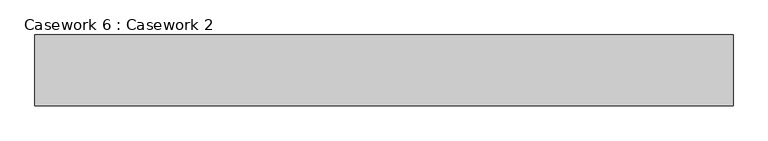
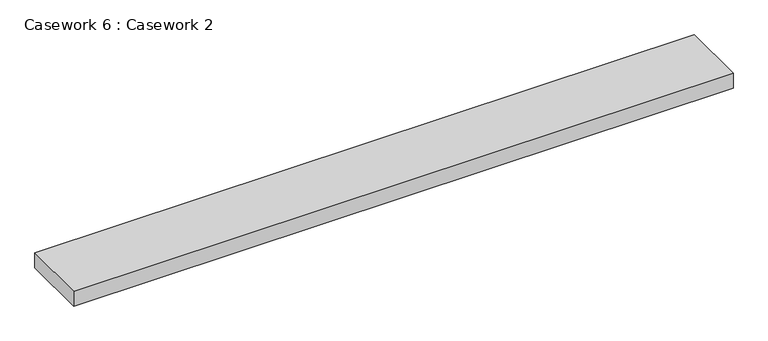
"""IFC4 building model written with IfcOpenShell, lengths in millimetres: furniture geometry, Casework 6 : Casework 2."""

from ifc_helpers import new_model, si_unit, frame, origin, place, context, project, spatial, polyline, outline, extrude, source, transform, mapped, element, save


def casework_6_casework_2_b5767fef(model_context):
    return source(origin(), model_context, "Body", "SweptSolid", [
        extrude(outline(polyline([(20729.5173459, -20299.1256681), (20729.5173459, -20517.0146228), (18581.286124, -20517.0146228), (18581.286124, -20299.1256681), (20729.5173459, -20299.1256681)])), frame((0.0, 0.0, 995.2155416), z_axis=(0.0, 0.0, 1.0), x_axis=(1.0, 0.0, 0.0)), (0.0, 0.0, 1.0), 51.1844584),
    ])


if __name__ == "__main__":
    model = new_model("IFC4")
    model_context = context("Model", 3, world=origin())
    ifc_project = project(units=[si_unit("LENGTHUNIT", "METRE", prefix="MILLI")], contexts=[model_context])
    site = spatial("IfcSite", under=ifc_project)
    building = spatial("IfcBuilding", under=site)
    placement = place(None, origin())
    casework_6_casework_2_shape = casework_6_casework_2_b5767fef(model_context)
    element("IfcFurniture", 1, ObjectType="Casework 6 : Casework 2", at=placement, inside=building, context=model_context, shape_type="MappedRepresentation", body=[
        mapped(casework_6_casework_2_shape, transform((0.0, 0.0, 0.0), x_axis=(1.0, 0.0, 0.0), y_axis=(0.0, 1.0, 0.0), z_axis=(0.0, 0.0, 1.0))),
    ])
    save(model, "model.ifc")
